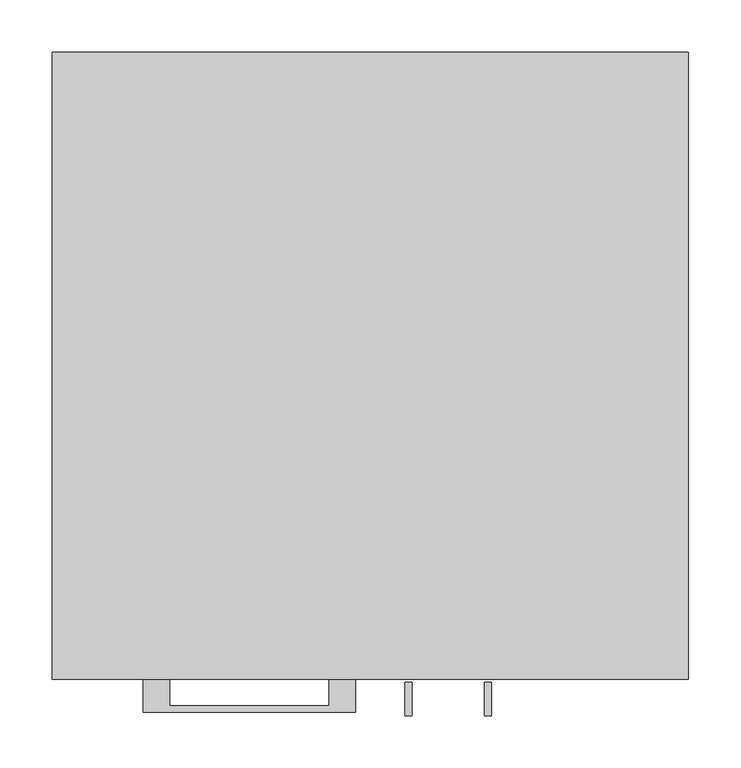
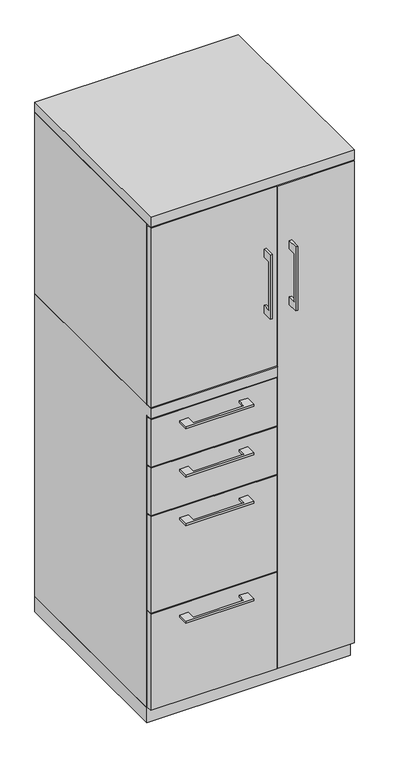
"""IFC4 building model written with IfcOpenShell, lengths in millimetres: furniture geometry."""

from ifc_helpers import new_model, si_unit, frame, origin, origin_with_axes, place, context, project, spatial, polyline, outline, extrude, faceted_brep, source, transform, mapped, element, save


def furniture_357b861d(model_context):
    return source(origin(), model_context, "Body", "SolidModel", [
        extrude(outline(polyline([(-192.0874818, -600.075), (-192.0874818, -625.4749758), (-39.6875, -625.4749758), (-39.6875, -600.075), (-14.2875061, -600.075), (-14.2875061, -631.8249879), (-217.4874939, -631.8249879), (-217.4874939, -600.075), (-192.0874818, -600.075)])), frame((0.0, 0.0, 777.8750506), z_axis=(0.0, 0.0, 1.0), x_axis=(1.0, 0.0, 0.0)), (0.0, 0.0, 1.0), 6.3499758),
        extrude(outline(polyline([(73.025, -581.025), (73.025, -600.075), (-304.8, -600.075), (-304.8, -581.025), (73.025, -581.025)])), frame((0.0, 0.0, 666.75), z_axis=(0.0, 0.0, 1.0), x_axis=(1.0, 0.0, 0.0)), (0.0, 0.0, 1.0), 150.8125),
        extrude(outline(polyline([(-603.25, 1370.0125), (-628.6499758, 1370.0125), (-628.6499758, 1217.6125), (-603.25, 1217.6125), (-603.25, 1192.2125), (-634.9999879, 1192.2125), (-634.9999879, 1395.4125), (-603.25, 1395.4125), (-603.25, 1370.0125)])), frame((33.3375121, 0.0, 0.0), z_axis=(1.0, 0.0, 0.0), x_axis=(0.0, 1.0, 0.0)), (0.0, 0.0, 1.0), 6.3499758),
        extrude(outline(polyline([(-304.8, -600.075), (-304.8, -581.025), (73.025, -581.025), (73.025, -600.075), (-304.8, -600.075)])), frame((0.0, 0.0, 1009.65), z_axis=(0.0, 0.0, 1.0), x_axis=(1.0, 0.0, 0.0)), (0.0, 0.0, 1.0), 568.325),
        extrude(outline(polyline([(-192.0874818, -600.075), (-192.0874818, -625.4749758), (-39.6875, -625.4749758), (-39.6875, -600.075), (-14.2875061, -600.075), (-14.2875061, -631.8249879), (-217.4874939, -631.8249879), (-217.4874939, -600.075), (-192.0874818, -600.075)])), frame((0.0, 0.0, 931.8625506), z_axis=(0.0, 0.0, 1.0), x_axis=(1.0, 0.0, 0.0)), (0.0, 0.0, 1.0), 6.3499758),
        extrude(outline(polyline([(73.025, -581.025), (73.025, -600.075), (-304.8, -600.075), (-304.8, -581.025), (73.025, -581.025)])), frame((0.0, 0.0, 820.7375), z_axis=(0.0, 0.0, 1.0), x_axis=(1.0, 0.0, 0.0)), (0.0, 0.0, 1.0), 150.8125),
        extrude(outline(polyline([(-192.0874818, -600.075), (-192.0874818, -625.4749758), (-39.6875, -625.4749758), (-39.6875, -600.075), (-14.2875061, -600.075), (-14.2875061, -631.8249879), (-217.4874939, -631.8249879), (-217.4874939, -600.075), (-192.0874818, -600.075)])), frame((0.0, 0.0, 623.8875506), z_axis=(0.0, 0.0, 1.0), x_axis=(1.0, 0.0, 0.0)), (0.0, 0.0, 1.0), 6.3499758),
        extrude(outline(polyline([(73.025, -581.025), (73.025, -600.075), (-304.8, -600.075), (-304.8, -581.025), (73.025, -581.025)])), frame((0.0, 0.0, 358.775), z_axis=(0.0, 0.0, 1.0), x_axis=(1.0, 0.0, 0.0)), (0.0, 0.0, 1.0), 304.8),
        extrude(outline(polyline([(-603.25, 1370.0125), (-628.6499758, 1370.0125), (-628.6499758, 1217.6125), (-603.25, 1217.6125), (-603.25, 1192.2125), (-634.9999879, 1192.2125), (-634.9999879, 1395.4125), (-603.25, 1395.4125), (-603.25, 1370.0125)])), frame((109.5375121, 0.0, 0.0), z_axis=(1.0, 0.0, 0.0), x_axis=(0.0, 1.0, 0.0)), (0.0, 0.0, 1.0), 6.3499758),
        extrude(outline(polyline([(304.8, -600.075), (76.2, -600.075), (76.2, -581.025), (304.8, -581.025), (304.8, -600.075)])), frame((0.0, 0.0, 50.8), z_axis=(0.0, 0.0, 1.0), x_axis=(1.0, 0.0, 0.0)), (0.0, 0.0, 1.0), 1527.175),
        extrude(outline(polyline([(-192.0874818, -600.075), (-192.0874818, -625.4749758), (-39.6875, -625.4749758), (-39.6875, -600.075), (-14.2875061, -600.075), (-14.2875061, -631.8249879), (-217.4874939, -631.8249879), (-217.4874939, -600.075), (-192.0874818, -600.075)])), frame((0.0, 0.0, 315.9125506), z_axis=(0.0, 0.0, 1.0), x_axis=(1.0, 0.0, 0.0)), (0.0, 0.0, 1.0), 6.3499758),
        extrude(outline(polyline([(73.025, -581.025), (73.025, -600.075), (-304.8, -600.075), (-304.8, -581.025), (73.025, -581.025)])), frame((0.0, 0.0, 50.8), z_axis=(0.0, 0.0, 1.0), x_axis=(1.0, 0.0, 0.0)), (0.0, 0.0, 1.0), 304.8),
        faceted_brep([(-304.8, -581.025, 47.625), (-304.8, 0.0, 47.625), (76.2, 0.0, 47.625), (76.2, -581.025, 47.625), (-304.8, 0.0, 1006.475), (76.2, 0.0, 1006.475), (-304.8, -581.025, 974.725), (-304.8, -600.075, 974.725), (-304.8, -600.075, 1006.475), (76.2, -581.025, 974.725), (57.15, -581.025, 974.725), (76.2, -581.025, 1581.15), (57.15, -581.025, 1581.15), (57.15, -581.025, 1006.475), (76.2, -581.025, 1006.475), (76.2, -19.05, 1006.475), (76.2, -19.05, 1581.15), (76.2, -600.075, 1006.475), (76.2, -600.075, 974.725), (57.15, -19.05, 1581.15), (57.15, -19.05, 1006.475)], [[[0, 1, 2, 3]], [[2, 1, 4, 5]], [[4, 1, 0, 6, 7, 8]], [[6, 0, 3, 9, 10]], [[11, 12, 13, 14]], [[2, 5, 15, 16, 11, 14, 17, 18, 9, 3]], [[16, 19, 12, 11]], [[19, 16, 15, 20]], [[12, 19, 20, 13]], [[5, 4, 8, 17, 14, 13, 20, 15]], [[18, 7, 6, 10, 9]], [[17, 8, 7, 18]]]),
        extrude(outline(polyline([(76.2, 0.0), (76.2, -19.05), (-285.75, -19.05), (-285.75, -581.025), (-304.8, -581.025), (-304.8, 0.0), (76.2, 0.0)])), frame((0.0, 0.0, 1006.475), z_axis=(0.0, 0.0, 1.0), x_axis=(1.0, 0.0, 0.0)), (0.0, 0.0, 1.0), 574.675),
        extrude(outline(polyline([(304.8, 0.0), (304.8, -581.025), (285.75, -581.025), (285.75, -19.05), (76.2, -19.05), (76.2, 0.0), (304.8, 0.0)])), frame((0.0, 0.0, 47.625), z_axis=(0.0, 0.0, 1.0), x_axis=(1.0, 0.0, 0.0)), (0.0, 0.0, 1.0), 1533.525),
        extrude(outline(polyline([(304.8, 0.0), (304.8, -600.075), (-304.8, -600.075), (-304.8, 0.0), (304.8, 0.0)])), frame((0.0, 0.0, 1581.15), z_axis=(0.0, 0.0, 1.0), x_axis=(1.0, 0.0, 0.0)), (0.0, 0.0, 1.0), 31.75),
        extrude(outline(polyline([(304.8, 0.0), (304.8, -581.025), (-304.8, -581.025), (-304.8, 0.0), (304.8, 0.0)])), origin_with_axes(), (0.0, 0.0, 1.0), 47.625),
    ])


if __name__ == "__main__":
    model = new_model("IFC4")
    model_context = context("Model", 3, world=origin())
    ifc_project = project(units=[si_unit("LENGTHUNIT", "METRE", prefix="MILLI")], contexts=[model_context])
    site = spatial("IfcSite", under=ifc_project)
    building = spatial("IfcBuilding", under=site)
    placement = place(None, origin())
    furniture_shape = furniture_357b861d(model_context)
    element("IfcFurniture", 1, at=placement, inside=building, context=model_context, shape_type="MappedRepresentation", body=[
        mapped(furniture_shape, transform((0.0, 0.0, 0.0), x_axis=(1.0, 0.0, 0.0), y_axis=(0.0, 1.0, 0.0), z_axis=(0.0, 0.0, 1.0))),
    ])
    save(model, "model.ifc")
